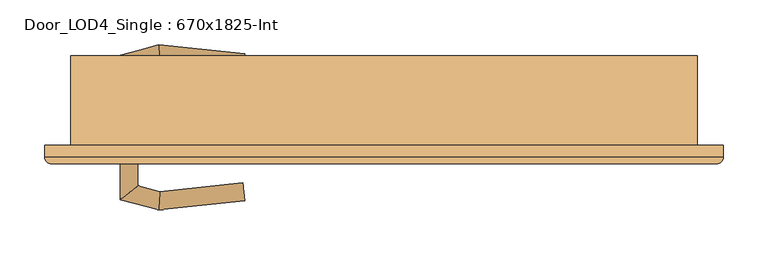
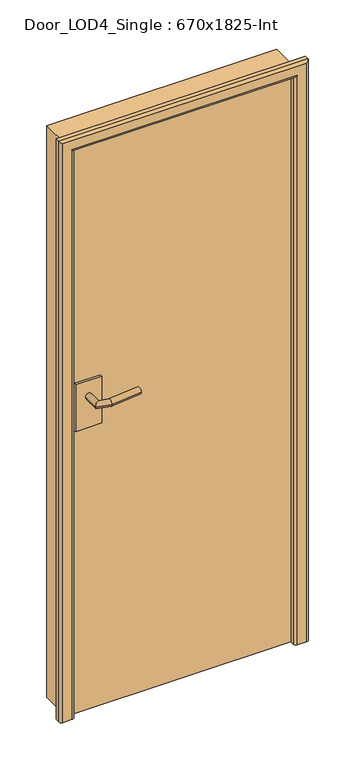
"""IFC4 building model written with IfcOpenShell, lengths in millimetres: door geometry, Door_LOD4_Single : 670x1825-Int."""

from ifc_helpers import new_model, si_unit, frame, origin, origin_with_axes, place, context, project, spatial, polyline, circle_curve, ellipse_curve, outline, extrude, faceted_brep, source, transform, mapped, element, save
from ifc_brep_helpers import plane_surface, cylinder_surface, advanced_brep


def door_lod4_single_670x1825_int_a58561c9(model_context):
    return source(origin(), model_context, "Body", "SolidModel", [
        extrude(outline(polyline([(335.0, -10.0), (335.0, -50.0), (-335.0, -50.0), (-335.0, -10.0), (335.0, -10.0)])), origin_with_axes(), (0.0, 0.0, 1.0), 1825.0000731),
        advanced_brep(
        [(-295.0, -2.0, 1012.5000365), (-275.0, -2.0, 1012.5000365), (-295.0, 50.6732699, 1012.5000365), (-275.0, 35.3267301, 1012.5000365), (-251.9904081, 62.1976553, 1012.5000365), (-250.3947841, 41.9196778, 1012.5000365), (-155.6930557, 52.0736521, 1012.5000365), (-157.7841855, 32.1832731, 1012.5000365)],
        [
            (0, 1, circle_curve(frame((-285.0, -2.0, 1012.5000365), z_axis=(0.0, -1.0, 0.0), x_axis=(1.0, 0.0, 0.0)), 10.0)),
            (1, 0, circle_curve(frame((-285.0, -2.0, 1012.5000365), z_axis=(0.0, -1.0, 0.0), x_axis=(1.0, 0.0, 0.0)), 10.0)),
            (0, 2),
            (2, 3, ellipse_curve(frame((-285.0, 43.0, 1012.5000365), z_axis=(-0.6087614290087403, -0.79335334029122, 0.0), x_axis=(0.7933533402912198, -0.6087614290087406, 0.0)), 12.6047241, 10.0)),
            (3, 1),
            (3, 2, ellipse_curve(frame((-285.0, 43.0, 1012.5000365), z_axis=(-0.6087614290087403, -0.79335334029122, 0.0), x_axis=(0.7933533402912198, -0.6087614290087406, 0.0)), 12.6047241, 10.0)),
            (2, 4),
            (4, 5, ellipse_curve(frame((-251.1925961, 52.0586666, 1012.5000365), z_axis=(-0.9969184391323764, -0.07844504903348702, 0.0), x_axis=(0.07844504903348593, -0.9969184391323765, 0.0)), 10.1703292, 10.0)),
            (5, 3),
            (5, 4, ellipse_curve(frame((-251.1925961, 52.0586666, 1012.5000365), z_axis=(-0.9969184391323764, -0.07844504903348702, 0.0), x_axis=(0.07844504903348593, -0.9969184391323765, 0.0)), 10.1703292, 10.0)),
            (6, 7, circle_curve(frame((-156.7386206, 42.1284626, 1012.5000365), z_axis=(0.9945189493358518, -0.10455648909519343, 0.0), x_axis=(-0.10455648909519343, -0.9945189493358518, 0.0)), 10.0)),
            (7, 6, circle_curve(frame((-156.7386206, 42.1284626, 1012.5000365), z_axis=(0.9945189493358518, -0.10455648909519343, 0.0), x_axis=(-0.10455648909519343, -0.9945189493358518, 0.0)), 10.0)),
            (4, 6),
            (7, 5),
        ],
        [
            plane_surface(frame((-285.0, -2.0, 1012.5000365), z_axis=(0.0, -1.0, 0.0), x_axis=(0.0, 0.0, 1.0))),
            cylinder_surface(frame((-285.0, -2.0, 1012.5000365), z_axis=(0.0, -1.0, 0.0), x_axis=(1.0, 0.0, 0.0)), 10.0),
            cylinder_surface(frame((-285.0, 43.0, 1012.5000365), z_axis=(-0.965925826289083, -0.2588190451024665, 0.0), x_axis=(0.2588190451024665, -0.965925826289083, 0.0)), 10.0),
            plane_surface(frame((-156.7386206, 42.1284626, 1012.5000365), z_axis=(0.9945189493358518, -0.10455648909519348, 0.0), x_axis=(0.0, 0.0, 1.0))),
            cylinder_surface(frame((-251.1925961, 52.0586666, 1012.5000365), z_axis=(-0.9945189493358518, 0.10455648909519343, 0.0), x_axis=(-0.10455648909519343, -0.9945189493358518, 0.0)), 10.0),
        ],
        [
            (0, [[1, 2]]),
            (1, [[-1, 3, 4, 5]]),
            (1, [[-2, -5, 6, -3]]),
            (2, [[-4, 7, 8, 9]]),
            (2, [[-6, -9, 10, -7]]),
            (3, [[11, 12]]),
            (4, [[-8, 13, -12, 14]]),
            (4, [[-10, -14, -11, -13]]),
        ],
    ),
        extrude(outline(polyline([(-325.0, -2.0), (-245.0, -2.0), (-245.0, -10.0), (-325.0, -10.0), (-325.0, -2.0)])), frame((0.0, 0.0, 912.5000365), z_axis=(0.0, 0.0, 1.0), x_axis=(1.0, 0.0, 0.0)), (0.0, 0.0, 1.0), 150.0),
        advanced_brep(
        [(-295.0, -58.0, 1012.5000365), (-275.0, -58.0, 1012.5000365), (-275.0, -95.3267301, 1012.5000365), (-295.0, -110.6732699, 1012.5000365), (-250.3947841, -101.9196778, 1012.5000365), (-251.9904081, -122.1976553, 1012.5000365), (-155.6930557, -112.0736521, 1012.5000365), (-157.7841855, -92.1832731, 1012.5000365)],
        [
            (0, 1, circle_curve(frame((-285.0, -58.0, 1012.5000365), z_axis=(0.0, 1.0, 0.0), x_axis=(1.0, 0.0, 0.0)), 10.0)),
            (1, 0, circle_curve(frame((-285.0, -58.0, 1012.5000365), z_axis=(0.0, 1.0, 0.0), x_axis=(1.0, 0.0, 0.0)), 10.0)),
            (1, 2),
            (2, 3, ellipse_curve(frame((-285.0, -103.0, 1012.5000365), z_axis=(-0.6087614290087454, 0.793353340291216, 0.0), x_axis=(0.793353340291216, 0.6087614290087459, 0.0)), 12.6047241, 10.0)),
            (3, 0),
            (3, 2, ellipse_curve(frame((-285.0, -103.0, 1012.5000365), z_axis=(-0.6087614290087454, 0.793353340291216, 0.0), x_axis=(0.793353340291216, 0.6087614290087459, 0.0)), 12.6047241, 10.0)),
            (2, 4),
            (4, 5, ellipse_curve(frame((-251.1925961, -112.0586666, 1012.5000365), z_axis=(-0.9969184391323771, 0.07844504903348057, 0.0), x_axis=(0.07844504903348166, 0.9969184391323769, 0.0)), 10.1703292, 10.0)),
            (5, 3),
            (5, 4, ellipse_curve(frame((-251.1925961, -112.0586666, 1012.5000365), z_axis=(-0.9969184391323771, 0.07844504903348057, 0.0), x_axis=(0.07844504903348166, 0.9969184391323769, 0.0)), 10.1703292, 10.0)),
            (6, 7, circle_curve(frame((-156.7386206, -102.1284626, 1012.5000365), z_axis=(0.9945189493358512, 0.10455648909519989, 0.0), x_axis=(-0.10455648909519989, 0.9945189493358512, 0.0)), 10.0)),
            (7, 6, circle_curve(frame((-156.7386206, -102.1284626, 1012.5000365), z_axis=(0.9945189493358512, 0.10455648909519989, 0.0), x_axis=(-0.10455648909519989, 0.9945189493358512, 0.0)), 10.0)),
            (4, 7),
            (6, 5),
        ],
        [
            plane_surface(frame((-285.0, -58.0, 1012.5000365), z_axis=(0.0, 1.0, 0.0), x_axis=(0.0, 0.0, 1.0))),
            cylinder_surface(frame((-285.0, -58.0, 1012.5000365), z_axis=(0.0, 1.0, 0.0), x_axis=(1.0, 0.0, 0.0)), 10.0),
            cylinder_surface(frame((-285.0, -103.0, 1012.5000365), z_axis=(-0.9659258262890846, 0.25881904510246023, 0.0), x_axis=(0.25881904510246023, 0.9659258262890846, 0.0)), 10.0),
            plane_surface(frame((-156.7386206, -102.1284626, 1012.5000365), z_axis=(0.9945189493358512, 0.10455648909519995, 0.0), x_axis=(0.0, 0.0, 1.0))),
            cylinder_surface(frame((-251.1925961, -112.0586666, 1012.5000365), z_axis=(-0.9945189493358512, -0.10455648909519989, 0.0), x_axis=(-0.10455648909519989, 0.9945189493358512, 0.0)), 10.0),
        ],
        [
            (0, [[1, 2]]),
            (1, [[3, 4, 5, -2]]),
            (1, [[-5, 6, -3, -1]]),
            (2, [[7, 8, 9, -4]]),
            (2, [[-9, 10, -7, -6]]),
            (3, [[11, 12]]),
            (4, [[13, -11, 14, -8]]),
            (4, [[-14, -12, -13, -10]]),
        ],
    ),
        extrude(outline(polyline([(-325.0, -58.0), (-325.0, -50.0), (-245.0, -50.0), (-245.0, -58.0), (-325.0, -58.0)])), frame((0.0, 0.0, 912.5000365), z_axis=(0.0, 0.0, 1.0), x_axis=(1.0, 0.0, 0.0)), (0.0, 0.0, 1.0), 150.0),
        advanced_brep(
        [(335.0, -62.6019651, 0.0), (335.0, -62.6019651, 1825.0000731), (335.0, -50.0, 1825.0000731), (335.0, -50.0, 0.0), (343.1090856, -70.7110507, 1833.1091587), (-343.1090856, -70.7110507, 1833.1091587), (-335.0, -62.6019651, 1825.0000731), (379.1946845, -50.0, 0.0), (379.1946845, -63.3339685, 0.0), (371.8176023, -70.7110507, 0.0), (343.1090856, -70.7110507, 0.0), (-335.0, -50.0, 0.0), (-335.0, -62.6019651, 0.0), (-343.1090856, -70.7110507, 0.0), (-371.8176023, -70.7110507, 0.0), (-379.1946845, -63.3339685, 0.0), (-379.1946845, -50.0, 0.0), (379.1946845, -63.3339685, 1869.1947576), (371.8176023, -70.7110507, 1861.8176754), (-335.0, -50.0, 1825.0000731), (-379.1946845, -50.0, 1869.1947576), (379.1946845, -50.0, 1869.1947576), (-371.8176023, -70.7110507, 1861.8176754), (-379.1946845, -63.3339685, 1869.1947576)],
        [
            (0, 1),
            (1, 2),
            (2, 3),
            (3, 0),
            (4, 5),
            (5, 6, ellipse_curve(frame((-343.1090856, -62.6019651, 1833.1091587), z_axis=(0.7071067811865464, 0.0, 0.7071067811865487), x_axis=(0.7071067811865487, 0.0, -0.7071067811865462)), 11.4679788, 8.1090856)),
            (6, 1),
            (1, 4, ellipse_curve(frame((343.1090856, -62.6019651, 1833.1091587), z_axis=(-0.7071067811865487, 0.0, 0.7071067811865464), x_axis=(0.7071067811865462, 0.0, 0.7071067811865487)), 11.4679788, 8.1090856)),
            (3, 7),
            (7, 8),
            (8, 9, circle_curve(frame((371.8176023, -63.3339685, 0.0), z_axis=(0.0, 0.0, -1.0), x_axis=(1.0, 0.0, 0.0)), 7.3770822)),
            (9, 10),
            (10, 0, circle_curve(frame((343.1090856, -62.6019651, 0.0), z_axis=(0.0, 0.0, -1.0), x_axis=(1.0, 0.0, 0.0)), 8.1090856)),
            (11, 12),
            (12, 13, circle_curve(frame((-343.1090856, -62.6019651, 0.0), z_axis=(0.0, 0.0, -1.0), x_axis=(-1.0, 0.0, 0.0)), 8.1090856)),
            (13, 14),
            (14, 15, circle_curve(frame((-371.8176023, -63.3339685, 0.0), z_axis=(0.0, 0.0, -1.0), x_axis=(-1.0, 0.0, 0.0)), 7.3770822)),
            (15, 16),
            (16, 11),
            (8, 17),
            (17, 18, ellipse_curve(frame((371.8176023, -63.3339685, 1861.8176754), z_axis=(0.7071067811865487, 0.0, -0.7071067811865464), x_axis=(-0.7071067811865462, 0.0, -0.7071067811865487)), 10.4327696, 7.3770822)),
            (18, 9),
            (2, 19),
            (19, 11),
            (16, 20),
            (20, 21),
            (21, 7),
            (21, 17),
            (18, 22),
            (22, 14),
            (13, 5),
            (4, 10),
            (17, 23),
            (23, 22, ellipse_curve(frame((-371.8176023, -63.3339685, 1861.8176754), z_axis=(0.7071067811865464, 0.0, 0.7071067811865487), x_axis=(0.7071067811865487, 0.0, -0.7071067811865462)), 10.4327696, 7.3770822)),
            (20, 23),
            (6, 19),
            (23, 15),
            (6, 12),
        ],
        [
            plane_surface(frame((335.0, -50.0, 0.0), z_axis=(-1.0, 0.0, 0.0), x_axis=(0.0, 0.0, 1.0))),
            cylinder_surface(frame((335.0, -62.6019651, 1833.1091587), z_axis=(1.0, 0.0, 0.0), x_axis=(0.0, 0.0, 1.0)), 8.1090856),
            plane_surface(frame((335.0, -50.0, 0.0), z_axis=(0.0, 0.0, -1.0), x_axis=(0.0, -1.0, 0.0))),
            plane_surface(frame((-335.0, -50.0, 0.0), z_axis=(0.0, 0.0, -1.0), x_axis=(0.0, -1.0, 0.0))),
            cylinder_surface(frame((371.8176023, -63.3339685, 0.0), z_axis=(0.0, 0.0, -1.0), x_axis=(1.0, 0.0, 0.0)), 7.3770822),
            plane_surface(frame((379.1946845, -50.0, 0.0), z_axis=(0.0, 1.0, 0.0), x_axis=(0.0, 0.0, 1.0))),
            plane_surface(frame((379.1946845, -63.3339685, 0.0), z_axis=(1.0, 0.0, 0.0), x_axis=(0.0, 0.0, 1.0))),
            plane_surface(frame((343.1090856, -70.7110507, 0.0), z_axis=(0.0, -1.0, 0.0), x_axis=(0.0, 0.0, 1.0))),
            cylinder_surface(frame((335.0, -63.3339685, 1861.8176754), z_axis=(1.0, 0.0, 0.0), x_axis=(0.0, 0.0, 1.0)), 7.3770822),
            plane_surface(frame((379.1946845, -63.3339685, 1869.1947576), z_axis=(0.0, 0.0, 1.0), x_axis=(-1.0, 0.0, 0.0))),
            plane_surface(frame((335.0, -50.0, 1825.0000731), z_axis=(0.0, 0.0, -1.0), x_axis=(-1.0, 0.0, 0.0))),
            cylinder_surface(frame((-371.8176023, -63.3339685, 1825.0000731), z_axis=(0.0, 0.0, 1.0), x_axis=(-1.0, 0.0, 0.0)), 7.3770822),
            plane_surface(frame((-379.1946845, -63.3339685, 1869.1947576), z_axis=(-1.0, 0.0, 0.0), x_axis=(0.0, 0.0, -1.0))),
            plane_surface(frame((-335.0, -50.0, 1825.0000731), z_axis=(1.0, 0.0, 0.0), x_axis=(0.0, 0.0, -1.0))),
            cylinder_surface(frame((343.1090856, -62.6019651, 0.0), z_axis=(0.0, 0.0, -1.0), x_axis=(1.0, 0.0, 0.0)), 8.1090856),
            cylinder_surface(frame((-343.1090856, -62.6019651, 1825.0000731), z_axis=(0.0, 0.0, 1.0), x_axis=(-1.0, 0.0, 0.0)), 8.1090856),
        ],
        [
            (0, [[1, 2, 3, 4]]),
            (1, [[5, 6, 7, 8]]),
            (2, [[9, 10, 11, 12, 13, -4]]),
            (3, [[14, 15, 16, 17, 18, 19]]),
            (4, [[20, 21, 22, -11]]),
            (5, [[-3, 23, 24, -19, 25, 26, 27, -9]]),
            (6, [[-27, 28, -20, -10]]),
            (7, [[-22, 29, 30, -16, 31, -5, 32, -12]]),
            (8, [[33, 34, -29, -21]]),
            (9, [[-26, 35, -33, -28]]),
            (10, [[-7, 36, -23, -2]]),
            (11, [[37, -17, -30, -34]]),
            (12, [[-25, -18, -37, -35]]),
            (13, [[38, -14, -24, -36]]),
            (14, [[-32, -8, -1, -13]]),
            (15, [[-31, -15, -38, -6]]),
        ],
    ),
        extrude(outline(polyline([(1825.0000731, -335.0), (0.0, -335.0), (0.0, -315.0), (1805.0000731, -315.0), (1805.0000731, 315.0), (0.0, 315.0), (0.0, 335.0), (1825.0000731, 335.0), (1825.0000731, -335.0)])), frame((0.0, -10.0, 0.0), z_axis=(0.0, 1.0, 0.0), x_axis=(0.0, 0.0, 1.0)), (0.0, 0.0, 1.0), 40.0),
        faceted_brep([(-350.0, 50.0, 1840.0000731), (350.0, 50.0, 1840.0000731), (350.0, 50.0, 0.0), (335.0, 50.0, 0.0), (335.0, 50.0, 1825.0000731), (-335.0, 50.0, 1825.0000731), (-335.0, 50.0, 0.0), (-350.0, 50.0, 0.0), (-350.0, -50.0, 1840.0000731), (-350.0, -50.0, 0.0), (-335.0, -50.0, 0.0), (-335.0, -50.0, 1825.0000731), (335.0, -50.0, 1825.0000731), (335.0, -50.0, 0.0), (350.0, -50.0, 0.0), (350.0, -50.0, 1840.0000731), (-335.0, 30.0, 0.0), (-335.0, 30.0, 1825.0000731), (335.0, 30.0, 1825.0000731), (335.0, 30.0, 0.0)], [[[0, 1, 2, 3, 4, 5, 6, 7]], [[8, 9, 10, 11, 12, 13, 14, 15]], [[7, 9, 8, 0]], [[6, 16, 10, 9, 7]], [[5, 17, 11, 10, 16, 6]], [[4, 18, 12, 11, 17, 5]], [[3, 19, 13, 12, 18, 4]], [[2, 14, 13, 19, 3]], [[1, 15, 14, 2]], [[0, 8, 15, 1]]]),
    ])


if __name__ == "__main__":
    model = new_model("IFC4")
    model_context = context("Model", 3, world=origin())
    ifc_project = project(units=[si_unit("LENGTHUNIT", "METRE", prefix="MILLI")], contexts=[model_context])
    site = spatial("IfcSite", under=ifc_project)
    building = spatial("IfcBuilding", under=site)
    placement = place(None, origin())
    door_lod4_single_670x1825_int_shape = door_lod4_single_670x1825_int_a58561c9(model_context)
    element("IfcDoor", 1, ObjectType="Door_LOD4_Single : 670x1825-Int", at=placement, inside=building, context=model_context, shape_type="MappedRepresentation", body=[
        mapped(door_lod4_single_670x1825_int_shape, transform((0.0, 0.0, 0.0), x_axis=(1.0, 0.0, 0.0), y_axis=(0.0, 1.0, 0.0), z_axis=(0.0, 0.0, 1.0))),
    ])
    save(model, "model.ifc")
